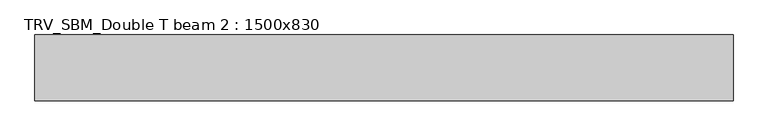
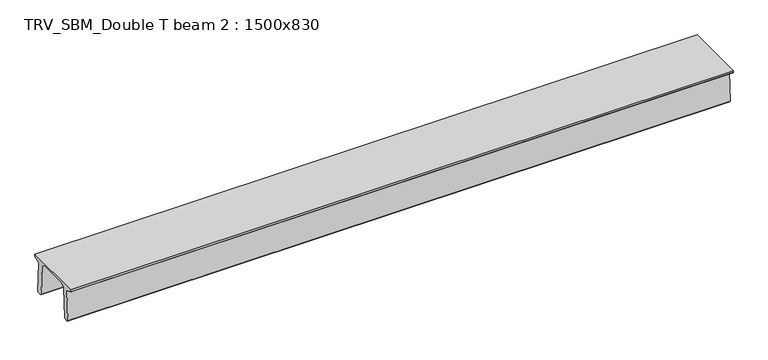
"""IFC4 building model written with IfcOpenShell, lengths in millimetres: beam geometry, TRV_SBM_Double T beam 2 : 1500x830."""

from ifc_helpers import new_model, si_unit, frame, origin, place, context, project, spatial, polyline, outline, extrude, source, transform, mapped, element, save


def trv_sbm_double_t_beam_2_1500x830_d0bbb2d3(model_context):
    return source(origin(), model_context, "Body", "SweptSolid", [
        extrude(outline(polyline([(337.4555014, 470.0), (-343.4555014, 470.0), (-456.5828437, 409.8491251), (-494.786332, -340.5206011), (-514.2657308, -360.0), (-604.2657308, -360.0), (-624.8277662, -339.4379646), (-586.9373878, 401.9654693), (-752.8511046, 468.9989621), (-753.0, 475.0), (-753.0, 520.0), (747.0, 520.0), (747.0, 475.0), (746.8511046, 468.9989621), (580.9373878, 401.9654693), (618.8277662, -339.4379646), (598.2657308, -360.0), (508.2657308, -360.0), (488.786332, -340.5206011), (450.5828437, 409.8491251), (337.4555014, 470.0)])), frame((-7956.5, 0.0, 0.0), z_axis=(1.0, 0.0, 0.0), x_axis=(0.0, 1.0, 0.0)), (0.0, 0.0, 1.0), 15913.0),
    ])


if __name__ == "__main__":
    model = new_model("IFC4")
    model_context = context("Model", 3, world=origin())
    ifc_project = project(units=[si_unit("LENGTHUNIT", "METRE", prefix="MILLI")], contexts=[model_context])
    site = spatial("IfcSite", under=ifc_project)
    building = spatial("IfcBuilding", under=site)
    placement = place(None, origin())
    trv_sbm_double_t_beam_2_1500x830_shape = trv_sbm_double_t_beam_2_1500x830_d0bbb2d3(model_context)
    element("IfcBeam", 1, ObjectType="TRV_SBM_Double T beam 2 : 1500x830", at=placement, inside=building, context=model_context, shape_type="MappedRepresentation", body=[
        mapped(trv_sbm_double_t_beam_2_1500x830_shape, transform((0.0, 0.0, 0.0), x_axis=(1.0, 0.0, 0.0), y_axis=(0.0, 1.0, 0.0), z_axis=(0.0, 0.0, 1.0))),
    ])
    save(model, "model.ifc")
